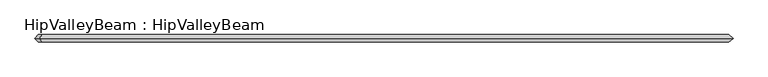
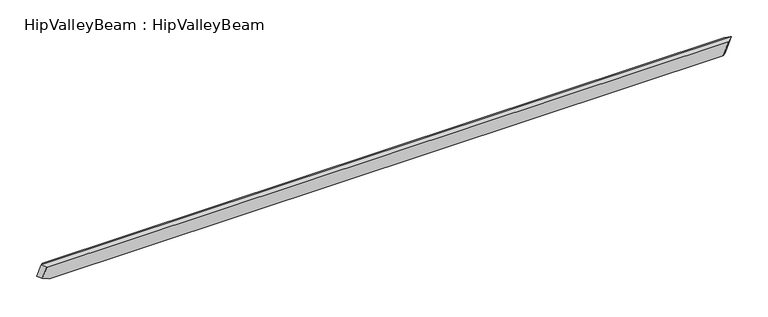
"""IFC4 building model written with IfcOpenShell, lengths in millimetres: beam geometry, HipValleyBeam : HipValleyBeam."""

from ifc_helpers import new_model, si_unit, origin, place, context, project, spatial, faceted_brep, source, transform, mapped, element, save


def hipvalleybeam_hipvalleybeam_da7c59c7(model_context):
    return source(origin(), model_context, "Body", "Brep", [
        faceted_brep([(3710.2884147, 40.0, -160.0), (3753.4933527, 0.0, -160.0), (3710.2884147, -40.0, -160.0), (-3751.8452401, -40.0, -160.0), (-3751.8452401, 40.0, -160.0), (3769.4360071, 40.0, -15.1185789), (-3828.201778, 40.0, -128.8275739), (-3781.7802751, 40.0, -15.1185789), (3769.4360071, -40.0, -15.1185789), (-3781.7802751, -40.0, -15.1185789), (-3828.201778, -40.0, -128.8275739), (3818.8130791, 0.0, 0.0), (-3818.8130791, 0.0, 0.0), (-3865.234582, 0.0, -113.708995)], [[[0, 1, 2, 3, 4]], [[5, 0, 4, 6, 7]], [[2, 8, 9, 10, 3]], [[2, 1, 11, 8]], [[1, 0, 5, 11]], [[12, 7, 6, 13]], [[9, 12, 13, 10]], [[12, 11, 5, 7]], [[4, 3, 10, 13, 6]], [[11, 12, 9, 8]]]),
    ])


if __name__ == "__main__":
    model = new_model("IFC4")
    model_context = context("Model", 3, world=origin())
    ifc_project = project(units=[si_unit("LENGTHUNIT", "METRE", prefix="MILLI")], contexts=[model_context])
    site = spatial("IfcSite", under=ifc_project)
    building = spatial("IfcBuilding", under=site)
    placement = place(None, origin())
    hipvalleybeam_hipvalleybeam_shape = hipvalleybeam_hipvalleybeam_da7c59c7(model_context)
    element("IfcBeam", 1, ObjectType="HipValleyBeam : HipValleyBeam", at=placement, inside=building, context=model_context, shape_type="MappedRepresentation", body=[
        mapped(hipvalleybeam_hipvalleybeam_shape, transform((0.0, 0.0, 0.0), x_axis=(1.0, 0.0, 0.0), y_axis=(0.0, 1.0, 0.0), z_axis=(0.0, 0.0, 1.0))),
    ])
    save(model, "model.ifc")
